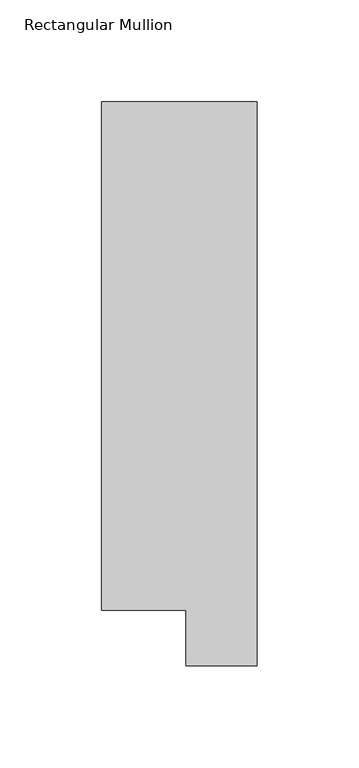
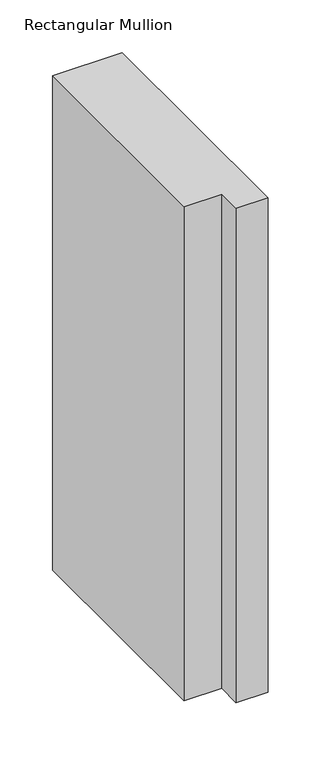
"""IFC4 building model written with IfcOpenShell, lengths in millimetres: member geometry, Rectangular Mullion."""

from ifc_helpers import new_model, si_unit, frame, origin, place, context, project, spatial, polyline, outline, extrude, source, transform, mapped, element, save


def rectangular_mullion_3ce272d3(model_context):
    return source(origin(), model_context, "Body", "SweptSolid", [
        extrude(outline(polyline([(-3.3e-06, 295.9695326), (0.0, 19.5667326), (-34.9123, 19.5667322), (-34.9123003, 46.7447311), (-76.2000003, 46.7447306), (-76.2000033, 295.9695317), (-3.3e-06, 295.9695326)])), frame((0.0, 0.0, -571.8194233), z_axis=(0.0, 0.0, 1.0), x_axis=(1.0, 0.0, 0.0)), (0.0, 0.0, 1.0), 571.8194233),
    ])


if __name__ == "__main__":
    model = new_model("IFC4")
    model_context = context("Model", 3, world=origin())
    ifc_project = project(units=[si_unit("LENGTHUNIT", "METRE", prefix="MILLI")], contexts=[model_context])
    site = spatial("IfcSite", under=ifc_project)
    building = spatial("IfcBuilding", under=site)
    placement = place(None, origin())
    rectangular_mullion_shape = rectangular_mullion_3ce272d3(model_context)
    element("IfcMember", 1, ObjectType="Rectangular Mullion", at=placement, inside=building, context=model_context, shape_type="MappedRepresentation", body=[
        mapped(rectangular_mullion_shape, transform((0.0, 0.0, 0.0), x_axis=(1.0, 0.0, 0.0), y_axis=(0.0, 1.0, 0.0), z_axis=(0.0, 0.0, 1.0))),
    ])
    save(model, "model.ifc")
